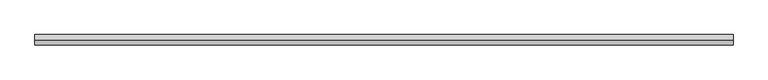
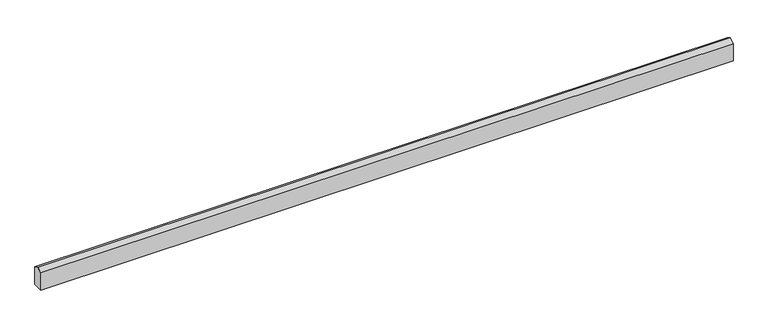
"""IFC4 building model written with IfcOpenShell, lengths in millimetres: beam geometry."""

import ifcopenshell
import ifcopenshell.guid

model = None  # the IFC model being written
_history = None  # IfcOwnerHistory: only IFC2X3 demands one
_inside = {}  # id of a spatial element -> (the spatial element, [elements in it])
_under = {}  # id of a project, library or spatial element -> (it, [spatial elements below it])
_declared = {}  # id of a project -> (the project, [libraries it declares])
_typed = {}  # id of a type object -> (the type object, [elements of that type])
_made_of = {}  # id of a material, layer set ... -> (it, [elements and type objects made of it])


def new_model(schema):
    """Start an empty IFC model of exactly this schema.

    Asked for "IFC4X3", IfcOpenShell would pick the latest addendum, in which some entities
    have other attributes; the version numbers below select the first issue.
    IFC2X3 requires an IfcOwnerHistory on every rooted entity: one is made here for all.
    """
    global model, _history
    if schema == "IFC4X3":
        model = ifcopenshell.file(schema_version=(4, 3, 0, 0))
    else:
        model = ifcopenshell.file(schema=schema)
    _inside.clear()
    _under.clear()
    _declared.clear()
    _typed.clear()
    _made_of.clear()
    _history = None
    if model.schema == "IFC2X3":
        org = make("IfcOrganization", Name="unknown")
        user = make(
            "IfcPersonAndOrganization",
            ThePerson=make("IfcPerson", FamilyName="unknown"),
            TheOrganization=org,
        )
        app = make(
            "IfcApplication",
            ApplicationDeveloper=org,
            Version="unknown",
            ApplicationFullName="unknown",
            ApplicationIdentifier="unknown",
        )
        _history = make(
            "IfcOwnerHistory",
            OwningUser=user,
            OwningApplication=app,
            ChangeAction="ADDED",
            CreationDate=0,
        )
    return model


def make(cls, **values):
    """One entity of the class cls with the attributes given. An attribute that is None is left unset."""
    return model.create_entity(
        cls, **{name: value for name, value in values.items() if value is not None}
    )


def rooted(cls, **values):
    """An entity with a GlobalId (a new one), such as an element, a storey or a relation."""
    return make(cls, GlobalId=ifcopenshell.guid.new(), OwnerHistory=_history, **values)


def si_unit(unit_type, name, prefix=None):
    """IfcSIUnit, for example si_unit("LENGTHUNIT", "METRE", prefix="MILLI")."""
    return make("IfcSIUnit", UnitType=unit_type, Prefix=prefix, Name=name)


def assignment(units):
    """IfcUnitAssignment: the units of a project."""
    return None if units is None else make("IfcUnitAssignment", Units=units)


def point(xyz):
    """IfcCartesianPoint."""
    return None if xyz is None else make("IfcCartesianPoint", Coordinates=xyz)


def direction(xyz):
    """IfcDirection."""
    return None if xyz is None else make("IfcDirection", DirectionRatios=xyz)


def frame(location, z_axis=None, x_axis=None):
    """IfcAxis2Placement3D, a coordinate frame: its origin and axes. An axis left out is left unset."""
    return make(
        "IfcAxis2Placement3D",
        Location=point(location),
        Axis=direction(z_axis),
        RefDirection=direction(x_axis),
    )


def origin():
    """The frame at (0, 0, 0) with its axes left unset."""
    return frame((0.0, 0.0, 0.0))


def place(relative_to, where):
    """IfcLocalPlacement: puts the frame where relative to a parent placement (None: the world)."""
    return make(
        "IfcLocalPlacement", PlacementRelTo=relative_to, RelativePlacement=where
    )


def context(
    kind, dimensions, precision=None, world=None, true_north=None, identifier=None
):
    """IfcGeometricRepresentationContext, for example the 3D "Model" context."""
    return make(
        "IfcGeometricRepresentationContext",
        ContextIdentifier=identifier,
        ContextType=kind,
        CoordinateSpaceDimension=dimensions,
        Precision=precision,
        WorldCoordinateSystem=world,
        TrueNorth=true_north,
    )


def project(units=None, contexts=None):
    """IfcProject with its units and contexts."""
    return rooted(
        "IfcProject",
        Name="project",
        RepresentationContexts=contexts,
        UnitsInContext=assignment(units),
    )


def spatial(cls, under=None, at=None, **own):
    """A site, building, storey or space (cls), placed at a placement, below another one or the project."""
    s = rooted(cls, ObjectPlacement=at, **own)
    if under is not None:
        _under.setdefault(under.id(), (under, []))[1].append(s)
    return s


def polyline(points):
    """IfcPolyline through the points."""
    return make("IfcPolyline", Points=[point(p) for p in points])


def outline(outer, holes=None, kind="AREA"):
    """IfcArbitraryClosedProfileDef: a profile drawn as a closed curve; with holes, ...WithVoids."""
    if holes is None:
        return make("IfcArbitraryClosedProfileDef", ProfileType=kind, OuterCurve=outer)
    return make(
        "IfcArbitraryProfileDefWithVoids",
        ProfileType=kind,
        OuterCurve=outer,
        InnerCurves=holes,
    )


def extrude(swept, where, along, depth):
    """IfcExtrudedAreaSolid: the profile swept, set in the frame where, extruded along a direction by depth."""
    return make(
        "IfcExtrudedAreaSolid",
        SweptArea=swept,
        Position=where,
        ExtrudedDirection=direction(along),
        Depth=depth,
    )


def shape(context_of_items, identifier, shape_type, items):
    """IfcShapeRepresentation: the items that make up one representation, for example the "Body"."""
    return make(
        "IfcShapeRepresentation",
        ContextOfItems=context_of_items,
        RepresentationIdentifier=identifier,
        RepresentationType=shape_type,
        Items=items,
    )


def source(mapping_origin, context_of_items, identifier, shape_type, items):
    """IfcRepresentationMap: a shape defined once, which mapped items show again and again."""
    return make(
        "IfcRepresentationMap",
        MappingOrigin=mapping_origin,
        MappedRepresentation=shape(context_of_items, identifier, shape_type, items),
    )


def transform(
    local_origin,
    x_axis=None,
    y_axis=None,
    z_axis=None,
    scale=None,
    scale2=None,
    scale3=None,
    uniform=True,
):
    """IfcCartesianTransformationOperator3D, or its non-uniform kind. x_axis, y_axis, z_axis: its Axis1, 2, 3."""
    if uniform:
        return make(
            "IfcCartesianTransformationOperator3D",
            Axis1=direction(x_axis),
            Axis2=direction(y_axis),
            LocalOrigin=point(local_origin),
            Scale=scale,
            Axis3=direction(z_axis),
        )
    return make(
        "IfcCartesianTransformationOperator3DnonUniform",
        Axis1=direction(x_axis),
        Axis2=direction(y_axis),
        LocalOrigin=point(local_origin),
        Scale=scale,
        Axis3=direction(z_axis),
        Scale2=scale2,
        Scale3=scale3,
    )


def mapped(mapping_source, mapping_target):
    """IfcMappedItem: shows the shape of a source again, moved by a transform."""
    return make(
        "IfcMappedItem", MappingSource=mapping_source, MappingTarget=mapping_target
    )


def made_of(thing, what):
    """Note that an element or type object is made of a material, layer set ...; save() writes the relation."""
    if what is not None:
        _made_of.setdefault(what.id(), (what, []))[1].append(thing)
    return thing


def element(
    cls,
    number,
    at=None,
    inside=None,
    cuts=None,
    type_object=None,
    material=None,
    context=None,
    identifier="Body",
    shape_type=None,
    held_by="IfcProductDefinitionShape",
    body=None,
    shapes=None,
    **own,
):
    """One element of the class cls, such as IfcWall. Its Tag is "e" and its number.

    at: its placement. inside: the storey or other place that contains it. cuts: it is an
    opening in that element (IfcRelVoidsElement). A single representation is given by context,
    identifier, shape_type and body (its items); several are given by shapes. held_by: the class
    of the entity that holds the representations. save() writes the other relations.
    """
    e = rooted(cls, Tag="e%d" % number, ObjectPlacement=at, **own)
    if body is not None:
        shapes = [shape(context, identifier, shape_type, body)]
    if shapes is not None:
        e.Representation = make(held_by, Representations=shapes)
    if inside is not None:
        _inside.setdefault(inside.id(), (inside, []))[1].append(e)
    if cuts is not None:
        rooted(
            "IfcRelVoidsElement", RelatingBuildingElement=cuts, RelatedOpeningElement=e
        )
    if type_object is not None:
        _typed.setdefault(type_object.id(), (type_object, []))[1].append(e)
    return made_of(e, material)


def aggregate(whole, parts):
    """IfcRelAggregates: a whole, such as a stair, and the parts it consists of."""
    return rooted("IfcRelAggregates", RelatingObject=whole, RelatedObjects=parts)


def save(model, path):
    """Write the relations noted so far, then the file.

    IfcRelAggregates (storeys below a building ...), IfcRelContainedInSpatialStructure (elements
    in a storey), IfcRelDefinesByType, IfcRelAssociatesMaterial and IfcRelDeclares: one each for
    every whole, place, type object, material and project.
    """
    for whole, parts in _under.values():
        aggregate(whole, parts)
    for where, things in _inside.values():
        rooted(
            "IfcRelContainedInSpatialStructure",
            RelatedElements=things,
            RelatingStructure=where,
        )
    for kind, things in _typed.values():
        rooted("IfcRelDefinesByType", RelatedObjects=things, RelatingType=kind)
    for what, things in _made_of.values():
        rooted("IfcRelAssociatesMaterial", RelatedObjects=things, RelatingMaterial=what)
    for by, libraries in _declared.values():
        rooted("IfcRelDeclares", RelatingContext=by, RelatedDefinitions=libraries)
    model.write(path)


def beam_522c569e(model_context):
    return source(origin(), model_context, "Body", "SweptSolid", [
        extrude(outline(polyline([(69.85, -465.8412862), (-69.85, -465.8412862), (-69.85, -220.8371196), (0.0, -180.0912862), (69.85, -220.8371196), (69.85, -465.8412862)])), frame((-4675.25, 0.0, 0.0), z_axis=(1.0, 0.0, 0.0), x_axis=(0.0, 1.0, 0.0)), (0.0, 0.0, 1.0), 9350.5),
    ])


if __name__ == "__main__":
    model = new_model("IFC4")
    model_context = context("Model", 3, world=origin())
    ifc_project = project(units=[si_unit("LENGTHUNIT", "METRE", prefix="MILLI")], contexts=[model_context])
    site = spatial("IfcSite", under=ifc_project)
    building = spatial("IfcBuilding", under=site)
    placement = place(None, origin())
    beam_shape = beam_522c569e(model_context)
    element("IfcBeam", 1, at=placement, inside=building, context=model_context, shape_type="MappedRepresentation", body=[
        mapped(beam_shape, transform((0.0, 0.0, 0.0), x_axis=(1.0, 0.0, 0.0), y_axis=(0.0, 1.0, 0.0), z_axis=(0.0, 0.0, 1.0))),
    ])
    save(model, "model.ifc")
